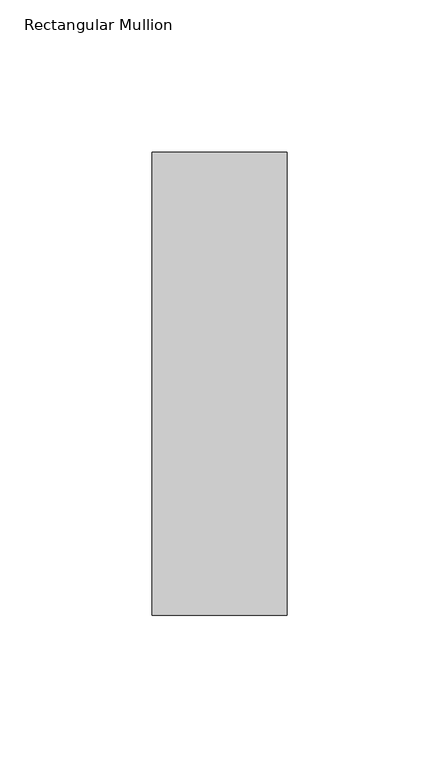
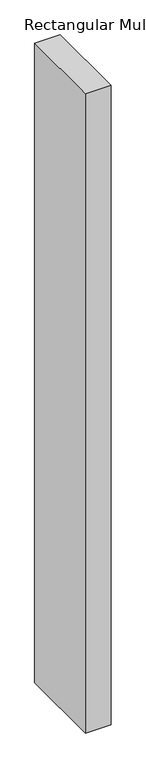
"""IFC4 building model written with IfcOpenShell, lengths in millimetres: member geometry, Rectangular Mullion."""

from ifc_helpers import new_model, si_unit, frame, origin, place, context, project, spatial, polyline, outline, extrude, source, transform, mapped, element, save


def rectangular_mullion_045cc082(model_context):
    return source(origin(), model_context, "Body", "SweptSolid", [
        extrude(outline(polyline([(22.225, 76.1906616), (22.225, -76.1906616), (-22.225, -76.1906616), (-22.225, 76.1906616), (22.225, 76.1906616)])), frame((0.0, 0.0, -1174.75), z_axis=(0.0, 0.0, 1.0), x_axis=(1.0, 0.0, 0.0)), (0.0, 0.0, 1.0), 1174.75),
    ])


if __name__ == "__main__":
    model = new_model("IFC4")
    model_context = context("Model", 3, world=origin())
    ifc_project = project(units=[si_unit("LENGTHUNIT", "METRE", prefix="MILLI")], contexts=[model_context])
    site = spatial("IfcSite", under=ifc_project)
    building = spatial("IfcBuilding", under=site)
    placement = place(None, origin())
    rectangular_mullion_shape = rectangular_mullion_045cc082(model_context)
    element("IfcMember", 1, ObjectType="Rectangular Mullion", at=placement, inside=building, context=model_context, shape_type="MappedRepresentation", body=[
        mapped(rectangular_mullion_shape, transform((0.0, 0.0, 0.0), x_axis=(1.0, 0.0, 0.0), y_axis=(0.0, 1.0, 0.0), z_axis=(0.0, 0.0, 1.0))),
    ])
    save(model, "model.ifc")
